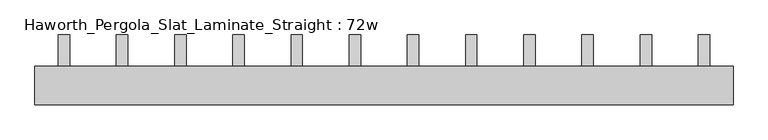
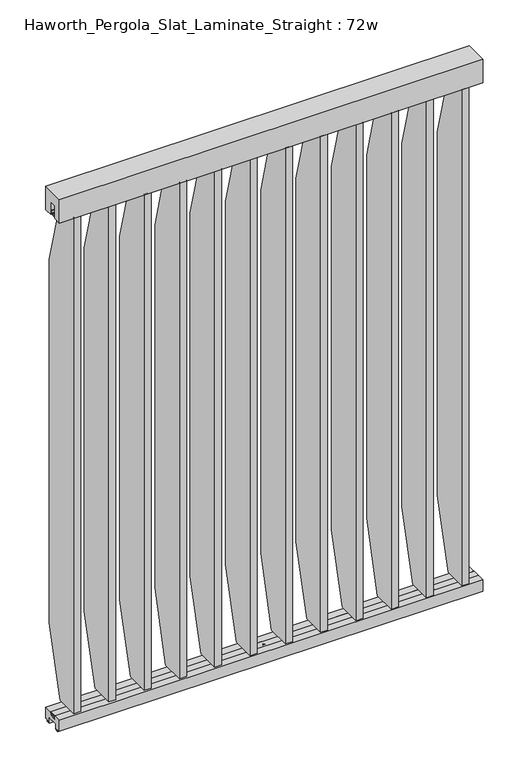
"""IFC4 building model written with IfcOpenShell, lengths in millimetres: furniture geometry, Haworth_Pergola_Slat_Laminate_Straight : 72w."""

from ifc_helpers import new_model, si_unit, point, frame, frame_2d, origin, place, context, project, spatial, polyline, circle_curve, trimmed, segment, composite_curve, outline, extrude, source, transform, mapped, element, save


def haworth_pergola_slat_laminate_straight_72w_2aa4988d(model_context):
    return source(origin(), model_context, "Body", "SweptSolid", [
        extrude(outline(polyline([(50.8, 2438.4), (50.8, 2331.8390625), (15.2182948, 2331.8390625), (15.2182948, 2388.7001663), (-15.2182948, 2388.7001663), (-15.2182948, 2331.8390625), (-50.8, 2331.8390625), (-50.8, 2438.4), (50.8, 2438.4)])), frame((-876.3, 0.0, 0.0), z_axis=(1.0, 0.0, 0.0), x_axis=(0.0, 1.0, 0.0)), (0.0, 0.0, 1.0), 1828.8),
        extrude(outline(polyline([(132.3000005, 2029.4009382), (132.3000005, 371.8009898), (50.7894893, 68.9119318), (-50.8000016, 68.9119318), (-50.8000016, 2332.2900568), (50.7895063, 2332.2900568), (132.3000005, 2029.4009382)])), frame((708.9000003, 0.0, 0.0), z_axis=(1.0, 0.0, 0.0), x_axis=(0.0, 1.0, 0.0)), (0.0, 0.0, 1.0), 29.9999997),
        extrude(outline(composite_curve([segment(trimmed(circle_curve(frame_2d((723.9000001, -1e-07)), 6.0), [point((717.9000001, -1e-07))], [point((729.9000001, -1e-07))], False, "CARTESIAN"), True, "CONTINUOUS"), segment(trimmed(circle_curve(frame_2d((723.9000001, -1e-07)), 6.0), [point((729.9000001, -1e-07))], [point((717.9000001, -1e-07))], False, "CARTESIAN"), True, "CONTINUOUS")], self_intersect=False)), frame((0.0, 0.0, 2332.2900568), z_axis=(0.0, 0.0, 1.0), x_axis=(1.0, 0.0, 0.0)), (0.0, 0.0, 1.0), 4.9609375),
        extrude(outline(composite_curve([segment(trimmed(circle_curve(frame_2d((723.9000001, -1e-07)), 6.0), [point((717.9000001, -1e-07))], [point((729.9000001, -1e-07))], False, "CARTESIAN"), True, "CONTINUOUS"), segment(trimmed(circle_curve(frame_2d((723.9000001, -1e-07)), 6.0), [point((729.9000001, -1e-07))], [point((717.9000001, -1e-07))], False, "CARTESIAN"), True, "CONTINUOUS")], self_intersect=False)), frame((0.0, 0.0, 63.9509943), z_axis=(0.0, 0.0, 1.0), x_axis=(1.0, 0.0, 0.0)), (0.0, 0.0, 1.0), 4.9609375),
        extrude(outline(polyline([(132.3000005, 2029.8519326), (132.3000005, 372.2519842), (50.7894893, 69.3629261), (-50.8000016, 69.3629261), (-50.8000016, 2332.7410511), (50.7895063, 2332.7410511), (132.3000005, 2029.8519326)])), frame((556.5000003, 0.0, 0.0), z_axis=(1.0, 0.0, 0.0), x_axis=(0.0, 1.0, 0.0)), (0.0, 0.0, 1.0), 29.9999997),
        extrude(outline(composite_curve([segment(trimmed(circle_curve(frame_2d((571.5000001, -1e-07)), 6.0), [point((565.5000001, -1e-07))], [point((577.5000001, -1e-07))], False, "CARTESIAN"), True, "CONTINUOUS"), segment(trimmed(circle_curve(frame_2d((571.5000001, -1e-07)), 6.0), [point((577.5000001, -1e-07))], [point((565.5000001, -1e-07))], False, "CARTESIAN"), True, "CONTINUOUS")], self_intersect=False)), frame((0.0, 0.0, 2332.7410511), z_axis=(0.0, 0.0, 1.0), x_axis=(1.0, 0.0, 0.0)), (0.0, 0.0, 1.0), 4.9609375),
        extrude(outline(composite_curve([segment(trimmed(circle_curve(frame_2d((571.5000001, -1e-07)), 6.0), [point((565.5000001, -1e-07))], [point((577.5000001, -1e-07))], False, "CARTESIAN"), True, "CONTINUOUS"), segment(trimmed(circle_curve(frame_2d((571.5000001, -1e-07)), 6.0), [point((577.5000001, -1e-07))], [point((565.5000001, -1e-07))], False, "CARTESIAN"), True, "CONTINUOUS")], self_intersect=False)), frame((0.0, 0.0, 64.4019886), z_axis=(0.0, 0.0, 1.0), x_axis=(1.0, 0.0, 0.0)), (0.0, 0.0, 1.0), 4.9609375),
        extrude(outline(polyline([(132.3000005, 2030.3029269), (132.3000005, 372.7029785), (50.7894893, 69.8139205), (-50.8000016, 69.8139205), (-50.8000016, 2333.1920455), (50.7895063, 2333.1920455), (132.3000005, 2030.3029269)])), frame((404.1000003, 0.0, 0.0), z_axis=(1.0, 0.0, 0.0), x_axis=(0.0, 1.0, 0.0)), (0.0, 0.0, 1.0), 29.9999997),
        extrude(outline(composite_curve([segment(trimmed(circle_curve(frame_2d((419.1000001, -1e-07)), 6.0), [point((413.1000001, -1e-07))], [point((425.1000001, -1e-07))], False, "CARTESIAN"), True, "CONTINUOUS"), segment(trimmed(circle_curve(frame_2d((419.1000001, -1e-07)), 6.0), [point((425.1000001, -1e-07))], [point((413.1000001, -1e-07))], False, "CARTESIAN"), True, "CONTINUOUS")], self_intersect=False)), frame((0.0, 0.0, 2333.1920455), z_axis=(0.0, 0.0, 1.0), x_axis=(1.0, 0.0, 0.0)), (0.0, 0.0, 1.0), 4.9609375),
        extrude(outline(composite_curve([segment(trimmed(circle_curve(frame_2d((419.1000001, -1e-07)), 6.0), [point((413.1000001, -1e-07))], [point((425.1000001, -1e-07))], False, "CARTESIAN"), True, "CONTINUOUS"), segment(trimmed(circle_curve(frame_2d((419.1000001, -1e-07)), 6.0), [point((425.1000001, -1e-07))], [point((413.1000001, -1e-07))], False, "CARTESIAN"), True, "CONTINUOUS")], self_intersect=False)), frame((0.0, 0.0, 64.852983), z_axis=(0.0, 0.0, 1.0), x_axis=(1.0, 0.0, 0.0)), (0.0, 0.0, 1.0), 4.9609375),
        extrude(outline(polyline([(132.3000005, 2030.7539212), (132.3000005, 373.1539728), (50.7894893, 70.2649148), (-50.8000016, 70.2649148), (-50.8000016, 2333.6430398), (50.7895063, 2333.6430398), (132.3000005, 2030.7539212)])), frame((251.7000003, 0.0, 0.0), z_axis=(1.0, 0.0, 0.0), x_axis=(0.0, 1.0, 0.0)), (0.0, 0.0, 1.0), 29.9999997),
        extrude(outline(composite_curve([segment(trimmed(circle_curve(frame_2d((266.7000001, -1e-07)), 6.0), [point((260.7000001, -1e-07))], [point((272.7000001, -1e-07))], False, "CARTESIAN"), True, "CONTINUOUS"), segment(trimmed(circle_curve(frame_2d((266.7000001, -1e-07)), 6.0), [point((272.7000001, -1e-07))], [point((260.7000001, -1e-07))], False, "CARTESIAN"), True, "CONTINUOUS")], self_intersect=False)), frame((0.0, 0.0, 2333.6430398), z_axis=(0.0, 0.0, 1.0), x_axis=(1.0, 0.0, 0.0)), (0.0, 0.0, 1.0), 4.9609375),
        extrude(outline(composite_curve([segment(trimmed(circle_curve(frame_2d((266.7000001, -1e-07)), 6.0), [point((260.7000001, -1e-07))], [point((272.7000001, -1e-07))], False, "CARTESIAN"), True, "CONTINUOUS"), segment(trimmed(circle_curve(frame_2d((266.7000001, -1e-07)), 6.0), [point((272.7000001, -1e-07))], [point((260.7000001, -1e-07))], False, "CARTESIAN"), True, "CONTINUOUS")], self_intersect=False)), frame((0.0, 0.0, 65.3039773), z_axis=(0.0, 0.0, 1.0), x_axis=(1.0, 0.0, 0.0)), (0.0, 0.0, 1.0), 4.9609375),
        extrude(outline(polyline([(132.3000005, 2031.2049155), (132.3000005, 373.6049671), (50.7894893, 70.7159091), (-50.8000016, 70.7159091), (-50.8000016, 2334.0940341), (50.7895063, 2334.0940341), (132.3000005, 2031.2049155)])), frame((99.3000003, 0.0, 0.0), z_axis=(1.0, 0.0, 0.0), x_axis=(0.0, 1.0, 0.0)), (0.0, 0.0, 1.0), 29.9999997),
        extrude(outline(composite_curve([segment(trimmed(circle_curve(frame_2d((114.3000001, -1e-07)), 6.0), [point((108.3000001, -1e-07))], [point((120.3000001, -1e-07))], False, "CARTESIAN"), True, "CONTINUOUS"), segment(trimmed(circle_curve(frame_2d((114.3000001, -1e-07)), 6.0), [point((120.3000001, -1e-07))], [point((108.3000001, -1e-07))], False, "CARTESIAN"), True, "CONTINUOUS")], self_intersect=False)), frame((0.0, 0.0, 2334.0940341), z_axis=(0.0, 0.0, 1.0), x_axis=(1.0, 0.0, 0.0)), (0.0, 0.0, 1.0), 4.9609375),
        extrude(outline(composite_curve([segment(trimmed(circle_curve(frame_2d((114.3000001, -1e-07)), 6.0), [point((108.3000001, -1e-07))], [point((120.3000001, -1e-07))], False, "CARTESIAN"), True, "CONTINUOUS"), segment(trimmed(circle_curve(frame_2d((114.3000001, -1e-07)), 6.0), [point((120.3000001, -1e-07))], [point((108.3000001, -1e-07))], False, "CARTESIAN"), True, "CONTINUOUS")], self_intersect=False)), frame((0.0, 0.0, 65.7549716), z_axis=(0.0, 0.0, 1.0), x_axis=(1.0, 0.0, 0.0)), (0.0, 0.0, 1.0), 4.9609375),
        extrude(outline(polyline([(132.3000005, 2031.6559098), (132.3000005, 374.0559614), (50.7894893, 71.1669034), (-50.8000016, 71.1669034), (-50.8000016, 2334.5450284), (50.7895063, 2334.5450284), (132.3000005, 2031.6559098)])), frame((-53.0999997, 0.0, 0.0), z_axis=(1.0, 0.0, 0.0), x_axis=(0.0, 1.0, 0.0)), (0.0, 0.0, 1.0), 29.9999997),
        extrude(outline(composite_curve([segment(trimmed(circle_curve(frame_2d((-38.0999999, -1e-07)), 6.0), [point((-44.0999999, -1e-07))], [point((-32.0999999, -1e-07))], False, "CARTESIAN"), True, "CONTINUOUS"), segment(trimmed(circle_curve(frame_2d((-38.0999999, -1e-07)), 6.0), [point((-32.0999999, -1e-07))], [point((-44.0999999, -1e-07))], False, "CARTESIAN"), True, "CONTINUOUS")], self_intersect=False)), frame((0.0, 0.0, 2334.5450284), z_axis=(0.0, 0.0, 1.0), x_axis=(1.0, 0.0, 0.0)), (0.0, 0.0, 1.0), 4.9609375),
        extrude(outline(composite_curve([segment(trimmed(circle_curve(frame_2d((-38.0999999, -1e-07)), 6.0), [point((-44.0999999, -1e-07))], [point((-32.0999999, -1e-07))], False, "CARTESIAN"), True, "CONTINUOUS"), segment(trimmed(circle_curve(frame_2d((-38.0999999, -1e-07)), 6.0), [point((-32.0999999, -1e-07))], [point((-44.0999999, -1e-07))], False, "CARTESIAN"), True, "CONTINUOUS")], self_intersect=False)), frame((0.0, 0.0, 66.2059659), z_axis=(0.0, 0.0, 1.0), x_axis=(1.0, 0.0, 0.0)), (0.0, 0.0, 1.0), 4.9609375),
        extrude(outline(polyline([(132.3000005, 2032.1069042), (132.3000005, 374.5069557), (50.7894893, 71.6178977), (-50.8000016, 71.6178977), (-50.8000016, 2334.9960227), (50.7895063, 2334.9960227), (132.3000005, 2032.1069042)])), frame((-205.4999997, 0.0, 0.0), z_axis=(1.0, 0.0, 0.0), x_axis=(0.0, 1.0, 0.0)), (0.0, 0.0, 1.0), 29.9999997),
        extrude(outline(composite_curve([segment(trimmed(circle_curve(frame_2d((-190.4999999, -1e-07)), 6.0), [point((-196.4999999, -1e-07))], [point((-184.4999999, -1e-07))], False, "CARTESIAN"), True, "CONTINUOUS"), segment(trimmed(circle_curve(frame_2d((-190.4999999, -1e-07)), 6.0), [point((-184.4999999, -1e-07))], [point((-196.4999999, -1e-07))], False, "CARTESIAN"), True, "CONTINUOUS")], self_intersect=False)), frame((0.0, 0.0, 2334.9960227), z_axis=(0.0, 0.0, 1.0), x_axis=(1.0, 0.0, 0.0)), (0.0, 0.0, 1.0), 4.9609375),
        extrude(outline(composite_curve([segment(trimmed(circle_curve(frame_2d((-190.4999999, -1e-07)), 6.0), [point((-196.4999999, -1e-07))], [point((-184.4999999, -1e-07))], False, "CARTESIAN"), True, "CONTINUOUS"), segment(trimmed(circle_curve(frame_2d((-190.4999999, -1e-07)), 6.0), [point((-184.4999999, -1e-07))], [point((-196.4999999, -1e-07))], False, "CARTESIAN"), True, "CONTINUOUS")], self_intersect=False)), frame((0.0, 0.0, 66.6569602), z_axis=(0.0, 0.0, 1.0), x_axis=(1.0, 0.0, 0.0)), (0.0, 0.0, 1.0), 4.9609375),
        extrude(outline(polyline([(132.3000005, 2032.5578985), (132.3000005, 374.9579501), (50.7894893, 72.068892), (-50.8000016, 72.068892), (-50.8000016, 2335.447017), (50.7895063, 2335.447017), (132.3000005, 2032.5578985)])), frame((-357.8999997, 0.0, 0.0), z_axis=(1.0, 0.0, 0.0), x_axis=(0.0, 1.0, 0.0)), (0.0, 0.0, 1.0), 29.9999997),
        extrude(outline(composite_curve([segment(trimmed(circle_curve(frame_2d((-342.8999999, -1e-07)), 6.0), [point((-348.8999999, -1e-07))], [point((-336.8999999, -1e-07))], False, "CARTESIAN"), True, "CONTINUOUS"), segment(trimmed(circle_curve(frame_2d((-342.8999999, -1e-07)), 6.0), [point((-336.8999999, -1e-07))], [point((-348.8999999, -1e-07))], False, "CARTESIAN"), True, "CONTINUOUS")], self_intersect=False)), frame((0.0, 0.0, 2335.447017), z_axis=(0.0, 0.0, 1.0), x_axis=(1.0, 0.0, 0.0)), (0.0, 0.0, 1.0), 4.9609375),
        extrude(outline(composite_curve([segment(trimmed(circle_curve(frame_2d((-342.8999999, -1e-07)), 6.0), [point((-348.8999999, -1e-07))], [point((-336.8999999, -1e-07))], False, "CARTESIAN"), True, "CONTINUOUS"), segment(trimmed(circle_curve(frame_2d((-342.8999999, -1e-07)), 6.0), [point((-336.8999999, -1e-07))], [point((-348.8999999, -1e-07))], False, "CARTESIAN"), True, "CONTINUOUS")], self_intersect=False)), frame((0.0, 0.0, 67.1079545), z_axis=(0.0, 0.0, 1.0), x_axis=(1.0, 0.0, 0.0)), (0.0, 0.0, 1.0), 4.9609375),
        extrude(outline(polyline([(132.3000005, 2033.0088928), (132.3000005, 375.4089444), (50.7894893, 72.5198864), (-50.8000016, 72.5198864), (-50.8000016, 2335.8980114), (50.7895063, 2335.8980114), (132.3000005, 2033.0088928)])), frame((-510.2999997, 0.0, 0.0), z_axis=(1.0, 0.0, 0.0), x_axis=(0.0, 1.0, 0.0)), (0.0, 0.0, 1.0), 29.9999997),
        extrude(outline(composite_curve([segment(trimmed(circle_curve(frame_2d((-495.2999999, -1e-07)), 6.0), [point((-501.2999999, -1e-07))], [point((-489.2999999, -1e-07))], False, "CARTESIAN"), True, "CONTINUOUS"), segment(trimmed(circle_curve(frame_2d((-495.2999999, -1e-07)), 6.0), [point((-489.2999999, -1e-07))], [point((-501.2999999, -1e-07))], False, "CARTESIAN"), True, "CONTINUOUS")], self_intersect=False)), frame((0.0, 0.0, 2335.8980114), z_axis=(0.0, 0.0, 1.0), x_axis=(1.0, 0.0, 0.0)), (0.0, 0.0, 1.0), 4.9609375),
        extrude(outline(composite_curve([segment(trimmed(circle_curve(frame_2d((-495.2999999, -1e-07)), 6.0), [point((-501.2999999, -1e-07))], [point((-489.2999999, -1e-07))], False, "CARTESIAN"), True, "CONTINUOUS"), segment(trimmed(circle_curve(frame_2d((-495.2999999, -1e-07)), 6.0), [point((-489.2999999, -1e-07))], [point((-501.2999999, -1e-07))], False, "CARTESIAN"), True, "CONTINUOUS")], self_intersect=False)), frame((0.0, 0.0, 67.5589489), z_axis=(0.0, 0.0, 1.0), x_axis=(1.0, 0.0, 0.0)), (0.0, 0.0, 1.0), 4.9609375),
        extrude(outline(polyline([(132.3000005, 2033.4598871), (132.3000005, 375.8599387), (50.7894893, 72.9708807), (-50.8000016, 72.9708807), (-50.8000016, 2336.3490057), (50.7895063, 2336.3490057), (132.3000005, 2033.4598871)])), frame((-662.6999997, 0.0, 0.0), z_axis=(1.0, 0.0, 0.0), x_axis=(0.0, 1.0, 0.0)), (0.0, 0.0, 1.0), 29.9999997),
        extrude(outline(composite_curve([segment(trimmed(circle_curve(frame_2d((-647.6999999, -1e-07)), 6.0), [point((-653.6999999, -1e-07))], [point((-641.6999999, -1e-07))], False, "CARTESIAN"), True, "CONTINUOUS"), segment(trimmed(circle_curve(frame_2d((-647.6999999, -1e-07)), 6.0), [point((-641.6999999, -1e-07))], [point((-653.6999999, -1e-07))], False, "CARTESIAN"), True, "CONTINUOUS")], self_intersect=False)), frame((0.0, 0.0, 2336.3490057), z_axis=(0.0, 0.0, 1.0), x_axis=(1.0, 0.0, 0.0)), (0.0, 0.0, 1.0), 4.9609375),
        extrude(outline(composite_curve([segment(trimmed(circle_curve(frame_2d((-647.6999999, -1e-07)), 6.0), [point((-653.6999999, -1e-07))], [point((-641.6999999, -1e-07))], False, "CARTESIAN"), True, "CONTINUOUS"), segment(trimmed(circle_curve(frame_2d((-647.6999999, -1e-07)), 6.0), [point((-641.6999999, -1e-07))], [point((-653.6999999, -1e-07))], False, "CARTESIAN"), True, "CONTINUOUS")], self_intersect=False)), frame((0.0, 0.0, 68.0099432), z_axis=(0.0, 0.0, 1.0), x_axis=(1.0, 0.0, 0.0)), (0.0, 0.0, 1.0), 4.9609375),
        extrude(outline(polyline([(132.3000005, 2028.9499439), (132.3000005, 371.3499955), (50.7894893, 68.4609375), (-50.8000016, 68.4609375), (-50.8000016, 2331.8390625), (50.7895063, 2331.8390625), (132.3000005, 2028.9499439)])), frame((861.3000003, 0.0, 0.0), z_axis=(1.0, 0.0, 0.0), x_axis=(0.0, 1.0, 0.0)), (0.0, 0.0, 1.0), 29.9999997),
        extrude(outline(composite_curve([segment(trimmed(circle_curve(frame_2d((876.3000001, -1e-07)), 6.0), [point((870.3000001, -1e-07))], [point((882.3000001, -1e-07))], False, "CARTESIAN"), True, "CONTINUOUS"), segment(trimmed(circle_curve(frame_2d((876.3000001, -1e-07)), 6.0), [point((882.3000001, -1e-07))], [point((870.3000001, -1e-07))], False, "CARTESIAN"), True, "CONTINUOUS")], self_intersect=False)), frame((0.0, 0.0, 2331.8390625), z_axis=(0.0, 0.0, 1.0), x_axis=(1.0, 0.0, 0.0)), (0.0, 0.0, 1.0), 4.9609375),
        extrude(outline(composite_curve([segment(trimmed(circle_curve(frame_2d((876.3000001, -1e-07)), 6.0), [point((870.3000001, -1e-07))], [point((882.3000001, -1e-07))], False, "CARTESIAN"), True, "CONTINUOUS"), segment(trimmed(circle_curve(frame_2d((876.3000001, -1e-07)), 6.0), [point((882.3000001, -1e-07))], [point((870.3000001, -1e-07))], False, "CARTESIAN"), True, "CONTINUOUS")], self_intersect=False)), frame((0.0, 0.0, 63.5), z_axis=(0.0, 0.0, 1.0), x_axis=(1.0, 0.0, 0.0)), (0.0, 0.0, 1.0), 4.9609375),
        extrude(outline(polyline([(132.3000005, 2033.9108814), (132.3000005, 376.310933), (50.7894893, 73.421875), (-50.8000016, 73.421875), (-50.8000016, 2336.8), (50.7895063, 2336.8), (132.3000005, 2033.9108814)])), frame((-815.0999997, 0.0, 0.0), z_axis=(1.0, 0.0, 0.0), x_axis=(0.0, 1.0, 0.0)), (0.0, 0.0, 1.0), 29.9999997),
        extrude(outline(composite_curve([segment(trimmed(circle_curve(frame_2d((-800.0999999, -1e-07)), 6.0), [point((-806.0999999, -1e-07))], [point((-794.0999999, -1e-07))], False, "CARTESIAN"), True, "CONTINUOUS"), segment(trimmed(circle_curve(frame_2d((-800.0999999, -1e-07)), 6.0), [point((-794.0999999, -1e-07))], [point((-806.0999999, -1e-07))], False, "CARTESIAN"), True, "CONTINUOUS")], self_intersect=False)), frame((0.0, 0.0, 2336.8), z_axis=(0.0, 0.0, 1.0), x_axis=(1.0, 0.0, 0.0)), (0.0, 0.0, 1.0), 4.9609375),
        extrude(outline(composite_curve([segment(trimmed(circle_curve(frame_2d((-800.0999999, -1e-07)), 6.0), [point((-806.0999999, -1e-07))], [point((-794.0999999, -1e-07))], False, "CARTESIAN"), True, "CONTINUOUS"), segment(trimmed(circle_curve(frame_2d((-800.0999999, -1e-07)), 6.0), [point((-794.0999999, -1e-07))], [point((-806.0999999, -1e-07))], False, "CARTESIAN"), True, "CONTINUOUS")], self_intersect=False)), frame((0.0, 0.0, 68.4609375), z_axis=(0.0, 0.0, 1.0), x_axis=(1.0, 0.0, 0.0)), (0.0, 0.0, 1.0), 4.9609375),
        extrude(outline(polyline([(7.8249998, 61.7499993), (7.8249998, 50.0999996), (4.8250001, 50.0999996), (4.8250001, 61.7499993), (-11.8250005, 61.7499993), (-11.8250005, 50.2499995), (-13.3999997, 50.2499995), (-13.3999997, 61.7499999), (-15.2249996, 61.7499999), (-15.2249996, 63.5), (15.2249995, 63.5), (15.2249995, 61.7499993), (7.8249998, 61.7499993)])), frame((-876.3, 0.0, 0.0), z_axis=(1.0, 0.0, 0.0), x_axis=(0.0, 1.0, 0.0)), (0.0, 0.0, 1.0), 1828.8),
        extrude(outline(polyline([(16.2000002, 63.5), (50.0000003, 63.5), (50.0000003, 12.6999985), (40.9499986, 12.6999985), (38.949998, 10.6999979), (28.9499998, 10.6999979), (28.9499998, 7.6999994), (38.949998, 7.6999994), (38.949998, 5.6999988), (23.7499992, 5.6999988), (23.7499992, 31.4500009), (-23.7499993, 31.4500009), (-23.7499993, 5.6999988), (-38.9499981, 5.6999988), (-38.9499981, 7.6999994), (-28.9499999, 7.6999994), (-28.9499999, 10.6999979), (-38.9499981, 10.6999979), (-40.9499987, 12.6999985), (-50.0000004, 12.6999985), (-50.0000004, 63.5), (-16.2000003, 63.5), (-16.5085718, 61.7499999), (-13.3999997, 61.7499999), (-13.3999997, 58.8973461), (-15.4000003, 59.2499999), (-15.4000003, 48.3500004), (15.4000002, 48.3500004), (15.4000002, 59.2499999), (13.3999996, 58.8973461), (13.3999996, 61.7499999), (16.5085717, 61.7499999), (16.2000002, 63.5)])), frame((-876.3, 0.0, 0.0), z_axis=(1.0, 0.0, 0.0), x_axis=(0.0, 1.0, 0.0)), (0.0, 0.0, 1.0), 1828.8),
        extrude(outline(polyline([(-7.8249999, 2338.5500385), (-7.8250005, 2350.2000542), (-4.8250002, 2350.2000542), (-4.8250002, 2338.5500385), (11.8250004, 2338.5500385), (11.8249992, 2350.0500633), (13.3999996, 2350.0500633), (13.3999996, 2338.5500385), (15.2249995, 2338.5500385), (15.2249995, 2336.8), (-15.2249996, 2336.8), (-15.2249996, 2338.5500385), (-7.8249999, 2338.5500385)])), frame((-876.3, 0.0, 0.0), z_axis=(1.0, 0.0, 0.0), x_axis=(0.0, 1.0, 0.0)), (0.0, 0.0, 1.0), 1828.8),
        extrude(outline(composite_curve([segment(trimmed(circle_curve(frame_2d((38.1000001, -1e-07)), 6.0), [point((32.1000001, -1e-07))], [point((44.1000001, -1e-07))], False, "CARTESIAN"), True, "CONTINUOUS"), segment(trimmed(circle_curve(frame_2d((38.1000001, -1e-07)), 6.0), [point((44.1000001, -1e-07))], [point((32.1000001, -1e-07))], False, "CARTESIAN"), True, "CONTINUOUS")], self_intersect=False)), frame((0.0, 0.0, 2319.1390625), z_axis=(0.0, 0.0, 1.0), x_axis=(1.0, 0.0, 0.0)), (0.0, 0.0, 1.0), 17.6609375),
        extrude(outline(composite_curve([segment(trimmed(circle_curve(frame_2d((38.1000001, -1e-07)), 6.0), [point((32.1000001, -1e-07))], [point((44.1000001, -1e-07))], False, "CARTESIAN"), True, "CONTINUOUS"), segment(trimmed(circle_curve(frame_2d((38.1000001, -1e-07)), 6.0), [point((44.1000001, -1e-07))], [point((32.1000001, -1e-07))], False, "CARTESIAN"), True, "CONTINUOUS")], self_intersect=False)), frame((0.0, 0.0, 55.7609375), z_axis=(0.0, 0.0, 1.0), x_axis=(1.0, 0.0, 0.0)), (0.0, 0.0, 1.0), 7.7390625),
    ])


if __name__ == "__main__":
    model = new_model("IFC4")
    model_context = context("Model", 3, world=origin())
    ifc_project = project(units=[si_unit("LENGTHUNIT", "METRE", prefix="MILLI")], contexts=[model_context])
    site = spatial("IfcSite", under=ifc_project)
    building = spatial("IfcBuilding", under=site)
    placement = place(None, origin())
    haworth_pergola_slat_laminate_straight_72w_shape = haworth_pergola_slat_laminate_straight_72w_2aa4988d(model_context)
    element("IfcFurniture", 1, ObjectType="Haworth_Pergola_Slat_Laminate_Straight : 72w", at=placement, inside=building, context=model_context, shape_type="MappedRepresentation", body=[
        mapped(haworth_pergola_slat_laminate_straight_72w_shape, transform((0.0, 0.0, 0.0), x_axis=(1.0, 0.0, 0.0), y_axis=(0.0, 1.0, 0.0), z_axis=(0.0, 0.0, 1.0))),
    ])
    save(model, "model.ifc")
